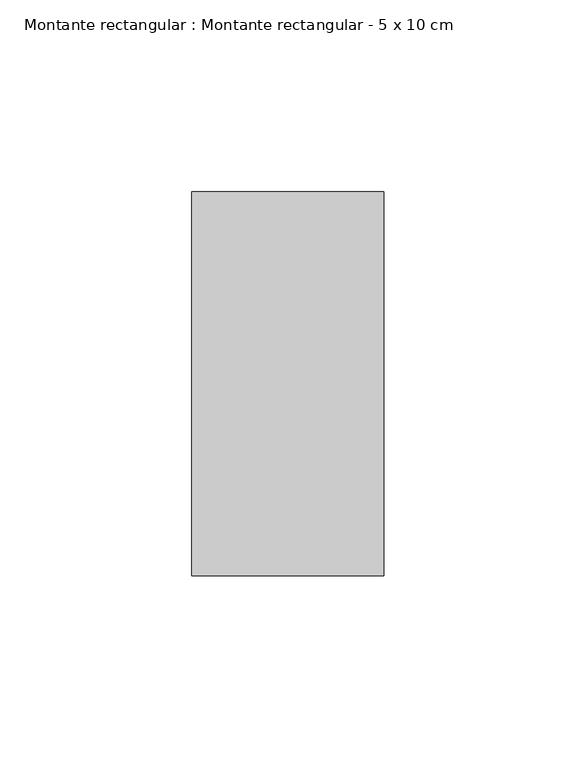
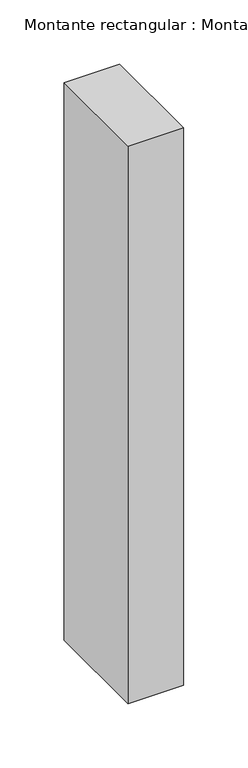
"""IFC4 building model written with IfcOpenShell, lengths in millimetres: member geometry, Montante rectangular : Montante rectangular - 5 x 10 cm."""

from ifc_helpers import new_model, si_unit, frame, origin, place, context, project, spatial, polyline, outline, extrude, source, transform, mapped, element, save


def montante_rectangular_montante_rectangular_5_x_10_cm_ec4f3a7b(model_context):
    return source(origin(), model_context, "Body", "SweptSolid", [
        extrude(outline(polyline([(0.0, 50.0), (0.0, -50.0), (-50.0, -50.0), (-50.0, 50.0), (0.0, 50.0)])), frame((0.0, 0.0, -530.0), z_axis=(0.0, 0.0, 1.0), x_axis=(1.0, 0.0, 0.0)), (0.0, 0.0, 1.0), 530.0),
    ])


if __name__ == "__main__":
    model = new_model("IFC4")
    model_context = context("Model", 3, world=origin())
    ifc_project = project(units=[si_unit("LENGTHUNIT", "METRE", prefix="MILLI")], contexts=[model_context])
    site = spatial("IfcSite", under=ifc_project)
    building = spatial("IfcBuilding", under=site)
    placement = place(None, origin())
    montante_rectangular_montante_rectangular_5_x_10_cm_shape = montante_rectangular_montante_rectangular_5_x_10_cm_ec4f3a7b(model_context)
    element("IfcMember", 1, ObjectType="Montante rectangular : Montante rectangular - 5 x 10 cm", at=placement, inside=building, context=model_context, shape_type="MappedRepresentation", body=[
        mapped(montante_rectangular_montante_rectangular_5_x_10_cm_shape, transform((0.0, 0.0, 0.0), x_axis=(1.0, 0.0, 0.0), y_axis=(0.0, 1.0, 0.0), z_axis=(0.0, 0.0, 1.0))),
    ])
    save(model, "model.ifc")
